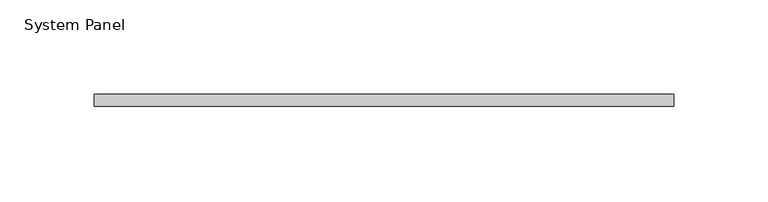
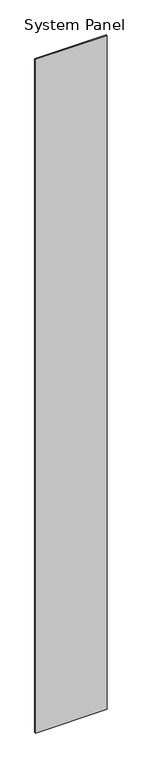
"""IFC4 building model written with IfcOpenShell, lengths in millimetres: plate geometry, System Panel."""

from ifc_helpers import new_model, si_unit, origin, origin_with_axes, place, context, project, spatial, polyline, outline, extrude, source, transform, mapped, element, save


def system_panel_7c62c193(model_context):
    return source(origin(), model_context, "Body", "SweptSolid", [
        extrude(outline(polyline([(153.3501851, -6.35), (-153.3501851, -6.35), (-153.3501851, 0.0), (153.3501851, 0.0), (153.3501851, -6.35)])), origin_with_axes(), (0.0, 0.0, 1.0), 3048.0),
    ])


if __name__ == "__main__":
    model = new_model("IFC4")
    model_context = context("Model", 3, world=origin())
    ifc_project = project(units=[si_unit("LENGTHUNIT", "METRE", prefix="MILLI")], contexts=[model_context])
    site = spatial("IfcSite", under=ifc_project)
    building = spatial("IfcBuilding", under=site)
    placement = place(None, origin())
    system_panel_shape = system_panel_7c62c193(model_context)
    element("IfcPlate", 1, ObjectType="System Panel", at=placement, inside=building, context=model_context, shape_type="MappedRepresentation", body=[
        mapped(system_panel_shape, transform((0.0, 0.0, 0.0), x_axis=(1.0, 0.0, 0.0), y_axis=(0.0, 1.0, 0.0), z_axis=(0.0, 0.0, 1.0))),
    ])
    save(model, "model.ifc")
